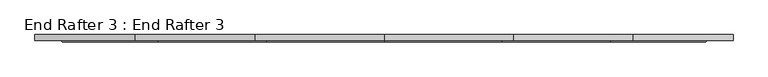
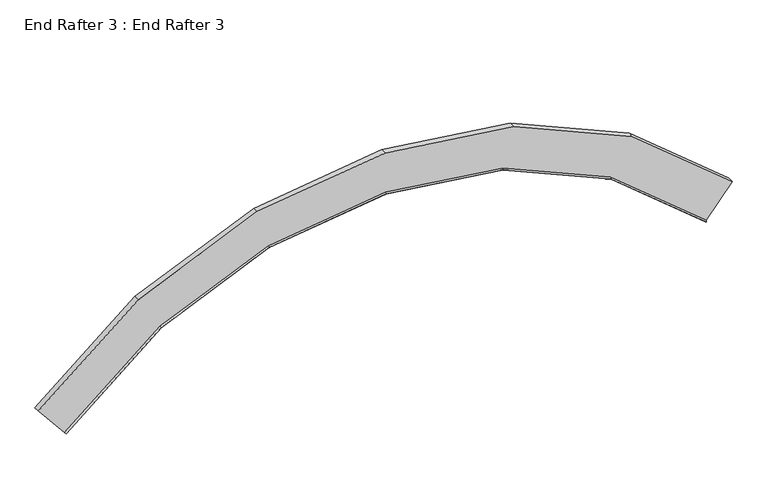
"""IFC4 building model written with IfcOpenShell, lengths in millimetres: proxy geometry, End Rafter 3 : End Rafter 3."""

import ifcopenshell
import ifcopenshell.guid

model = None  # the IFC model being written
_history = None  # IfcOwnerHistory: only IFC2X3 demands one
_inside = {}  # id of a spatial element -> (the spatial element, [elements in it])
_under = {}  # id of a project, library or spatial element -> (it, [spatial elements below it])
_declared = {}  # id of a project -> (the project, [libraries it declares])
_typed = {}  # id of a type object -> (the type object, [elements of that type])
_made_of = {}  # id of a material, layer set ... -> (it, [elements and type objects made of it])


def new_model(schema):
    """Start an empty IFC model of exactly this schema.

    Asked for "IFC4X3", IfcOpenShell would pick the latest addendum, in which some entities
    have other attributes; the version numbers below select the first issue.
    IFC2X3 requires an IfcOwnerHistory on every rooted entity: one is made here for all.
    """
    global model, _history
    if schema == "IFC4X3":
        model = ifcopenshell.file(schema_version=(4, 3, 0, 0))
    else:
        model = ifcopenshell.file(schema=schema)
    _inside.clear()
    _under.clear()
    _declared.clear()
    _typed.clear()
    _made_of.clear()
    _history = None
    if model.schema == "IFC2X3":
        org = make("IfcOrganization", Name="unknown")
        user = make(
            "IfcPersonAndOrganization",
            ThePerson=make("IfcPerson", FamilyName="unknown"),
            TheOrganization=org,
        )
        app = make(
            "IfcApplication",
            ApplicationDeveloper=org,
            Version="unknown",
            ApplicationFullName="unknown",
            ApplicationIdentifier="unknown",
        )
        _history = make(
            "IfcOwnerHistory",
            OwningUser=user,
            OwningApplication=app,
            ChangeAction="ADDED",
            CreationDate=0,
        )
    return model


def make(cls, **values):
    """One entity of the class cls with the attributes given. An attribute that is None is left unset."""
    return model.create_entity(
        cls, **{name: value for name, value in values.items() if value is not None}
    )


def rooted(cls, **values):
    """An entity with a GlobalId (a new one), such as an element, a storey or a relation."""
    return make(cls, GlobalId=ifcopenshell.guid.new(), OwnerHistory=_history, **values)


def si_unit(unit_type, name, prefix=None):
    """IfcSIUnit, for example si_unit("LENGTHUNIT", "METRE", prefix="MILLI")."""
    return make("IfcSIUnit", UnitType=unit_type, Prefix=prefix, Name=name)


def assignment(units):
    """IfcUnitAssignment: the units of a project."""
    return None if units is None else make("IfcUnitAssignment", Units=units)


def point(xyz):
    """IfcCartesianPoint."""
    return None if xyz is None else make("IfcCartesianPoint", Coordinates=xyz)


def direction(xyz):
    """IfcDirection."""
    return None if xyz is None else make("IfcDirection", DirectionRatios=xyz)


def frame(location, z_axis=None, x_axis=None):
    """IfcAxis2Placement3D, a coordinate frame: its origin and axes. An axis left out is left unset."""
    return make(
        "IfcAxis2Placement3D",
        Location=point(location),
        Axis=direction(z_axis),
        RefDirection=direction(x_axis),
    )


def origin():
    """The frame at (0, 0, 0) with its axes left unset."""
    return frame((0.0, 0.0, 0.0))


def place(relative_to, where):
    """IfcLocalPlacement: puts the frame where relative to a parent placement (None: the world)."""
    return make(
        "IfcLocalPlacement", PlacementRelTo=relative_to, RelativePlacement=where
    )


def context(
    kind, dimensions, precision=None, world=None, true_north=None, identifier=None
):
    """IfcGeometricRepresentationContext, for example the 3D "Model" context."""
    return make(
        "IfcGeometricRepresentationContext",
        ContextIdentifier=identifier,
        ContextType=kind,
        CoordinateSpaceDimension=dimensions,
        Precision=precision,
        WorldCoordinateSystem=world,
        TrueNorth=true_north,
    )


def project(units=None, contexts=None):
    """IfcProject with its units and contexts."""
    return rooted(
        "IfcProject",
        Name="project",
        RepresentationContexts=contexts,
        UnitsInContext=assignment(units),
    )


def spatial(cls, under=None, at=None, **own):
    """A site, building, storey or space (cls), placed at a placement, below another one or the project."""
    s = rooted(cls, ObjectPlacement=at, **own)
    if under is not None:
        _under.setdefault(under.id(), (under, []))[1].append(s)
    return s


def faces_of(points, faces, orient=None, outer=None):
    """IfcFace entities. A face is a list of loops; a loop is a list of indices into points, from 0.

    orient and outer hold one flag for each loop. By default every Orientation is true, the
    first loop of a face is its IfcFaceOuterBound and the others are IfcFaceBound.
    """
    made = []
    for i, loops in enumerate(faces):
        bounds = []
        for j, loop in enumerate(loops):
            is_outer = j == 0 if outer is None else outer[i][j]
            bounds.append(
                make(
                    "IfcFaceOuterBound" if is_outer else "IfcFaceBound",
                    Bound=make("IfcPolyLoop", Polygon=[points[k] for k in loop]),
                    Orientation=True if orient is None else orient[i][j],
                )
            )
        made.append(make("IfcFace", Bounds=bounds))
    return made


def faceted_brep(points, faces, orient=None, outer=None, voids=None):
    """IfcFacetedBrep: a solid bounded by flat faces; with voids (closed shells), ...WithVoids."""
    shared = [point(p) for p in points]
    hull = make("IfcClosedShell", CfsFaces=faces_of(shared, faces, orient, outer))
    if voids is None:
        return make("IfcFacetedBrep", Outer=hull)
    return make(
        "IfcFacetedBrepWithVoids",
        Outer=hull,
        Voids=[
            make(cls, CfsFaces=faces_of(shared, fs, o, b)) for cls, fs, o, b in voids
        ],
    )


def shape(context_of_items, identifier, shape_type, items):
    """IfcShapeRepresentation: the items that make up one representation, for example the "Body"."""
    return make(
        "IfcShapeRepresentation",
        ContextOfItems=context_of_items,
        RepresentationIdentifier=identifier,
        RepresentationType=shape_type,
        Items=items,
    )


def source(mapping_origin, context_of_items, identifier, shape_type, items):
    """IfcRepresentationMap: a shape defined once, which mapped items show again and again."""
    return make(
        "IfcRepresentationMap",
        MappingOrigin=mapping_origin,
        MappedRepresentation=shape(context_of_items, identifier, shape_type, items),
    )


def transform(
    local_origin,
    x_axis=None,
    y_axis=None,
    z_axis=None,
    scale=None,
    scale2=None,
    scale3=None,
    uniform=True,
):
    """IfcCartesianTransformationOperator3D, or its non-uniform kind. x_axis, y_axis, z_axis: its Axis1, 2, 3."""
    if uniform:
        return make(
            "IfcCartesianTransformationOperator3D",
            Axis1=direction(x_axis),
            Axis2=direction(y_axis),
            LocalOrigin=point(local_origin),
            Scale=scale,
            Axis3=direction(z_axis),
        )
    return make(
        "IfcCartesianTransformationOperator3DnonUniform",
        Axis1=direction(x_axis),
        Axis2=direction(y_axis),
        LocalOrigin=point(local_origin),
        Scale=scale,
        Axis3=direction(z_axis),
        Scale2=scale2,
        Scale3=scale3,
    )


def mapped(mapping_source, mapping_target):
    """IfcMappedItem: shows the shape of a source again, moved by a transform."""
    return make(
        "IfcMappedItem", MappingSource=mapping_source, MappingTarget=mapping_target
    )


def made_of(thing, what):
    """Note that an element or type object is made of a material, layer set ...; save() writes the relation."""
    if what is not None:
        _made_of.setdefault(what.id(), (what, []))[1].append(thing)
    return thing


def element(
    cls,
    number,
    at=None,
    inside=None,
    cuts=None,
    type_object=None,
    material=None,
    context=None,
    identifier="Body",
    shape_type=None,
    held_by="IfcProductDefinitionShape",
    body=None,
    shapes=None,
    **own,
):
    """One element of the class cls, such as IfcWall. Its Tag is "e" and its number.

    at: its placement. inside: the storey or other place that contains it. cuts: it is an
    opening in that element (IfcRelVoidsElement). A single representation is given by context,
    identifier, shape_type and body (its items); several are given by shapes. held_by: the class
    of the entity that holds the representations. save() writes the other relations.
    """
    e = rooted(cls, Tag="e%d" % number, ObjectPlacement=at, **own)
    if body is not None:
        shapes = [shape(context, identifier, shape_type, body)]
    if shapes is not None:
        e.Representation = make(held_by, Representations=shapes)
    if inside is not None:
        _inside.setdefault(inside.id(), (inside, []))[1].append(e)
    if cuts is not None:
        rooted(
            "IfcRelVoidsElement", RelatingBuildingElement=cuts, RelatedOpeningElement=e
        )
    if type_object is not None:
        _typed.setdefault(type_object.id(), (type_object, []))[1].append(e)
    return made_of(e, material)


def aggregate(whole, parts):
    """IfcRelAggregates: a whole, such as a stair, and the parts it consists of."""
    return rooted("IfcRelAggregates", RelatingObject=whole, RelatedObjects=parts)


def save(model, path):
    """Write the relations noted so far, then the file.

    IfcRelAggregates (storeys below a building ...), IfcRelContainedInSpatialStructure (elements
    in a storey), IfcRelDefinesByType, IfcRelAssociatesMaterial and IfcRelDeclares: one each for
    every whole, place, type object, material and project.
    """
    for whole, parts in _under.values():
        aggregate(whole, parts)
    for where, things in _inside.values():
        rooted(
            "IfcRelContainedInSpatialStructure",
            RelatedElements=things,
            RelatingStructure=where,
        )
    for kind, things in _typed.values():
        rooted("IfcRelDefinesByType", RelatedObjects=things, RelatingType=kind)
    for what, things in _made_of.values():
        rooted("IfcRelAssociatesMaterial", RelatedObjects=things, RelatingMaterial=what)
    for by, libraries in _declared.values():
        rooted("IfcRelDeclares", RelatingContext=by, RelatedDefinitions=libraries)
    model.write(path)


def end_rafter_3_end_rafter_3_648212ae(model_context):
    return source(origin(), model_context, "Body", "Brep", [
        faceted_brep([(-22904.5556388, 5335.8585128, -350.7137859), (-22904.5556388, 5377.1471992, -350.7137859), (-22903.6030368, 5377.1471992, -351.8657418), (-22903.6030368, 5337.4417153, -351.8657418), (-22719.138792, 5337.4417153, -574.9333981), (-22713.1300901, 5328.0129505, -582.1995599), (-22713.8488955, 5326.8850118, -581.3303277), (-22719.5674699, 5335.8585128, -574.4150093), (-22199.0249192, 5335.8585128, 232.7199294), (-22199.0249192, 5377.1471992, 232.7199294), (-21361.1829115, 5377.1471992, 598.5692532), (-20454.9514783, 5377.1471992, 719.3062072), (-19548.7200451, 5377.1471992, 598.5692532), (-18710.8780374, 5377.1471992, 232.7199294), (-18005.3473179, 5377.1471992, -350.7137859), (-18006.2999198, 5377.1471992, -351.8657418), (-18711.6687426, 5377.1471992, 231.4340939), (-19549.1256954, 5377.1471992, 597.115281), (-20454.9514783, 5377.1471992, 717.7981904), (-21360.7772613, 5377.1471992, 597.115281), (-22198.2342141, 5377.1471992, 231.4340939), (-22198.2342141, 5337.4417153, 231.4340939), (-21360.7772613, 5337.4417153, 597.115281), (-20454.9514783, 5337.4417153, 717.7981904), (-19549.1256954, 5337.4417153, 597.115281), (-18711.6687426, 5337.4417153, 231.4340939), (-18006.2999198, 5337.4417153, -351.8657418), (-18190.7641647, 5337.4417153, -574.9333981), (-18864.7828728, 5337.4417153, -17.5583213), (-19627.676833, 5337.4417153, 315.5644357), (-20454.9514783, 5337.4417153, 425.7819995), (-21282.2261237, 5337.4417153, 315.5644357), (-22045.1200838, 5337.4417153, -17.5583213), (-22040.1325744, 5328.0129505, -25.6689511), (-22040.7292173, 5326.8850118, -24.6986974), (-22045.475907, 5335.8585128, -16.9796858), (-21282.4086693, 5335.8585128, 316.218734), (-20454.9514783, 5335.8585128, 426.4606183), (-19627.4942873, 5335.8585128, 316.218734), (-18864.4270497, 5335.8585128, -16.9796858), (-18190.3354867, 5335.8585128, -574.4150093), (-18005.3473179, 5335.8585128, -350.7137859), (-18710.8780374, 5335.8585128, 232.7199294), (-19548.7200451, 5335.8585128, 598.5692532), (-20454.9514783, 5335.8585128, 719.3062072), (-21361.1829115, 5335.8585128, 598.5692532), (-21279.6674144, 5328.0129505, 306.393254), (-21279.9735062, 5326.8850118, 307.4903788), (-20454.9514783, 5328.0129505, 416.2699217), (-20454.9514783, 5326.8850118, 417.407827), (-19630.2355422, 5328.0129505, 306.393254), (-19629.9294504, 5326.8850118, 307.4903788), (-18869.7703823, 5328.0129505, -25.6689511), (-18869.1737394, 5326.8850118, -24.6986974), (-18196.0540611, 5326.8850118, -581.3303277), (-18196.7728666, 5328.0129505, -582.1995599)], [[[0, 1, 2, 3, 4, 5, 6, 7]], [[1, 0, 8, 9]], [[2, 1, 9, 10, 11, 12, 13, 14, 15, 16, 17, 18, 19, 20]], [[3, 2, 20, 21]], [[4, 3, 21, 22, 23, 24, 25, 26, 27, 28, 29, 30, 31, 32]], [[5, 4, 32, 33]], [[6, 5, 33, 34]], [[7, 6, 34, 35]], [[0, 7, 35, 36, 37, 38, 39, 40, 41, 42, 43, 44, 45, 8]], [[9, 8, 45, 10]], [[21, 20, 19, 22]], [[33, 32, 31, 46]], [[34, 33, 46, 47]], [[35, 34, 47, 36]], [[10, 45, 44, 11]], [[22, 19, 18, 23]], [[46, 31, 30, 48]], [[47, 46, 48, 49]], [[36, 47, 49, 37]], [[11, 44, 43, 12]], [[23, 18, 17, 24]], [[48, 30, 29, 50]], [[49, 48, 50, 51]], [[37, 49, 51, 38]], [[12, 43, 42, 13]], [[24, 17, 16, 25]], [[50, 29, 28, 52]], [[51, 50, 52, 53]], [[38, 51, 53, 39]], [[41, 40, 54, 55, 27, 26, 15, 14]], [[13, 42, 41, 14]], [[25, 16, 15, 26]], [[52, 28, 27, 55]], [[53, 52, 55, 54]], [[39, 53, 54, 40]]]),
    ])


if __name__ == "__main__":
    model = new_model("IFC4")
    model_context = context("Model", 3, world=origin())
    ifc_project = project(units=[si_unit("LENGTHUNIT", "METRE", prefix="MILLI")], contexts=[model_context])
    site = spatial("IfcSite", under=ifc_project)
    building = spatial("IfcBuilding", under=site)
    placement = place(None, origin())
    end_rafter_3_end_rafter_3_shape = end_rafter_3_end_rafter_3_648212ae(model_context)
    element("IfcBuildingElementProxy", 1, Name="End Rafter 3 : End Rafter 3", ObjectType="End Rafter 3 : End Rafter 3", at=placement, inside=building, context=model_context, shape_type="MappedRepresentation", body=[
        mapped(end_rafter_3_end_rafter_3_shape, transform((0.0, 0.0, 0.0), x_axis=(1.0, 0.0, 0.0), y_axis=(0.0, 1.0, 0.0), z_axis=(0.0, 0.0, 1.0))),
    ])
    save(model, "model.ifc")
